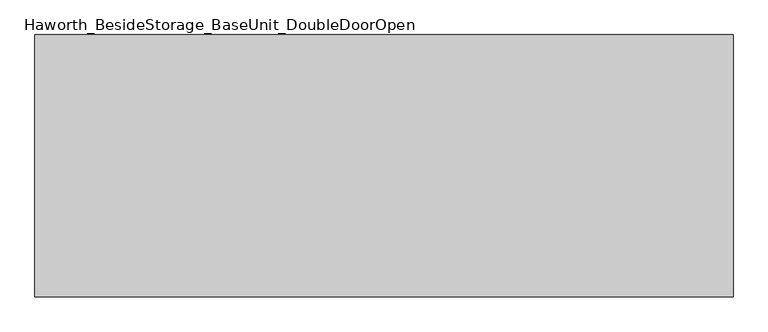
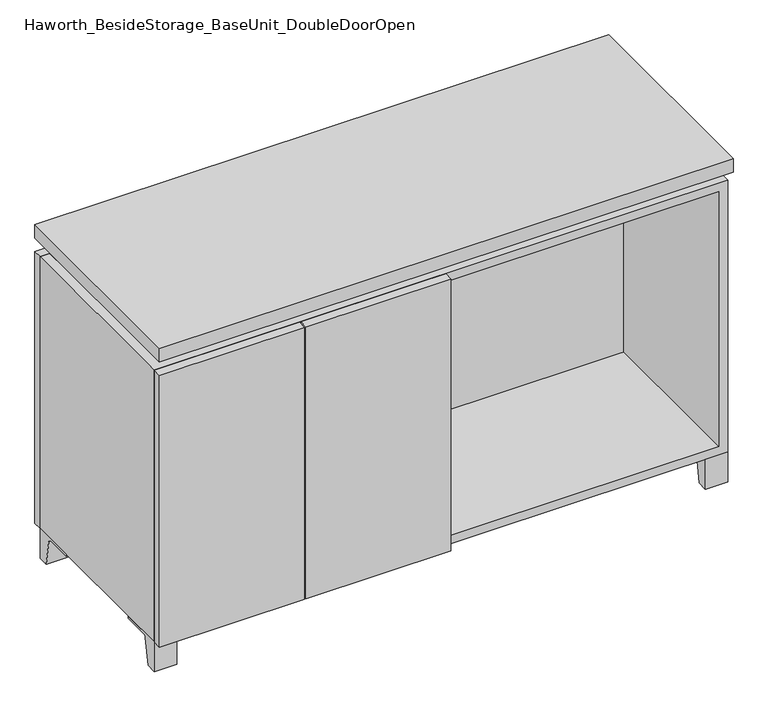
"""IFC4 building model written with IfcOpenShell, lengths in millimetres: furniture geometry, Haworth_BesideStorage_BaseUnit_DoubleDoorOpen."""

from ifc_helpers import new_model, si_unit, point, frame, frame_2d, origin, place, context, project, spatial, polyline, circle_curve, trimmed, segment, composite_curve, outline, extrude, faceted_brep, source, transform, mapped, element, save


def haworth_besidestorage_baseunit_doubledooropen_0f22d628(model_context):
    return source(origin(), model_context, "Body", "SolidModel", [
        extrude(outline(composite_curve([segment(polyline([(44.9791531, 0.0), (22.225, 0.0), (22.225, 66.675), (117.475, 66.675), (117.475, 61.8963321), (60.6744655, 61.8963321)]), True, "CONTINUOUS"), segment(trimmed(circle_curve(frame_2d((60.6744655, 55.5463321)), 6.35), [point((60.6744655, 61.8963321))], [point((54.4108641, 56.5902656))], True, "CARTESIAN"), True, "CONTINUOUS"), segment(polyline([(54.4108641, 56.5902656), (44.9791531, 0.0)]), True, "CONTINUOUS")], self_intersect=False)), frame((-23.7986094, 0.0, 0.0), z_axis=(1.0, 0.0, 0.0), x_axis=(0.0, 1.0, 0.0)), (0.0, 0.0, 1.0), 47.625),
        extrude(outline(composite_curve([segment(polyline([(-123.2958469, 0.0), (-146.05, 0.0), (-146.05, 66.675), (-50.8, 66.675), (-50.8, 61.8963321), (-107.6005345, 61.8963321)]), True, "CONTINUOUS"), segment(trimmed(circle_curve(frame_2d((-107.6005345, 55.5463321)), 6.35), [point((-107.6005345, 61.8963321))], [point((-113.8641359, 56.5902656))], True, "CARTESIAN"), True, "CONTINUOUS"), segment(polyline([(-113.8641359, 56.5902656), (-123.2958469, 0.0)]), True, "CONTINUOUS")], self_intersect=False)), frame((560.4013906, 0.0, 0.0), z_axis=(1.0, 0.0, 0.0), x_axis=(0.0, 1.0, 0.0)), (0.0, 0.0, 1.0), 47.625),
        extrude(outline(composite_curve([segment(polyline([(250.2958469, 0.0), (240.8641359, 56.5902656)]), True, "CONTINUOUS"), segment(trimmed(circle_curve(frame_2d((234.6005345, 55.5463321)), 6.35), [point((240.8641359, 56.5902656))], [point((234.6005345, 61.8963321))], True, "CARTESIAN"), True, "CONTINUOUS"), segment(polyline([(234.6005345, 61.8963321), (177.8, 61.8963321), (177.8, 66.675), (273.05, 66.675), (273.05, 0.0), (250.2958469, 0.0)]), True, "CONTINUOUS")], self_intersect=False)), frame((560.4013906, 0.0, 0.0), z_axis=(1.0, 0.0, 0.0), x_axis=(0.0, 1.0, 0.0)), (0.0, 0.0, 1.0), 47.625),
        extrude(outline(composite_curve([segment(polyline([(-123.2958469, 0.0), (-146.05, 0.0), (-146.05, 66.675), (-50.8, 66.675), (-50.8, 61.8963321), (-107.6005345, 61.8963321)]), True, "CONTINUOUS"), segment(trimmed(circle_curve(frame_2d((-107.6005345, 55.5463321)), 6.35), [point((-107.6005345, 61.8963321))], [point((-113.8641359, 56.5902656))], True, "CARTESIAN"), True, "CONTINUOUS"), segment(polyline([(-113.8641359, 56.5902656), (-123.2958469, 0.0)]), True, "CONTINUOUS")], self_intersect=False)), frame((-607.9986094, 0.0, 0.0), z_axis=(1.0, 0.0, 0.0), x_axis=(0.0, 1.0, 0.0)), (0.0, 0.0, 1.0), 47.625),
        extrude(outline(composite_curve([segment(polyline([(250.2958469, 0.0), (240.8641359, 56.5902656)]), True, "CONTINUOUS"), segment(trimmed(circle_curve(frame_2d((234.6005345, 55.5463321)), 6.35), [point((240.8641359, 56.5902656))], [point((234.6005345, 61.8963321))], True, "CARTESIAN"), True, "CONTINUOUS"), segment(polyline([(234.6005345, 61.8963321), (177.8, 61.8963321), (177.8, 66.675), (273.05, 66.675), (273.05, 0.0), (250.2958469, 0.0)]), True, "CONTINUOUS")], self_intersect=False)), frame((-607.9986094, 0.0, 0.0), z_axis=(1.0, 0.0, 0.0), x_axis=(0.0, 1.0, 0.0)), (0.0, 0.0, 1.0), 47.625),
        faceted_brep([(-607.9986094, -146.05, 66.675), (608.0125, -146.05, 66.675), (608.0125, -146.05, 676.275), (-607.9986094, -146.05, 676.275), (-588.9486094, -146.05, 85.725), (-588.9486094, -146.05, 657.225), (588.9694453, -146.05, 657.225), (588.9486094, -146.05, 85.725), (-607.9986094, 273.05, 66.675), (-607.9986094, 273.05, 676.275), (-588.9486094, 273.05, 676.275), (-588.9486094, 273.05, 85.725), (588.9486094, 273.05, 85.725), (588.9486094, 273.05, 676.275), (608.0125, 273.05, 676.275), (608.0125, 273.05, 66.675), (588.9486094, 247.65, 676.275), (-588.9416641, 247.65, 676.275), (-588.9486094, 247.65, 657.225), (588.9486094, 247.65, 657.225)], [[[0, 1, 2, 3], [4, 5, 6, 7]], [[8, 9, 10, 11, 12, 13, 14, 15]], [[1, 0, 8, 15]], [[2, 1, 15, 14]], [[3, 2, 14, 13, 16, 17, 10, 9]], [[0, 3, 9, 8]], [[11, 10, 17, 18, 5, 4]], [[13, 12, 7, 6, 19, 16]], [[4, 7, 12, 11]], [[6, 5, 18, 19]], [[17, 16, 19, 18]]]),
        extrude(outline(polyline([(608.0263906, -165.1), (-607.9986094, -165.1), (-607.9986094, 292.1), (608.0263906, 292.1), (608.0263906, -165.1)])), frame((0.0, 0.0, 706.4375), z_axis=(0.0, 0.0, 1.0), x_axis=(1.0, 0.0, 0.0)), (0.0, 0.0, 1.0), 30.1625),
        faceted_brep([(7.9513906, -69.85, 706.4375), (7.9513906, -69.85, 676.275), (7.9513906, 53.975, 676.275), (7.9513906, 53.975, 706.4375), (7.9513906, 196.85, 676.275), (7.9513906, 196.85, 706.4375), (7.9513906, 73.025, 706.4375), (7.9513906, 73.025, 676.275), (-7.9236094, 196.85, 706.4375), (-7.9236094, 196.85, 676.275), (-7.9236094, 73.025, 676.275), (-7.9236094, 73.025, 706.4375), (-7.9236094, -69.85, 676.275), (-7.9236094, -69.85, 706.4375), (-7.9236094, 53.975, 706.4375), (-7.9236094, 53.975, 676.275), (-566.6958281, 73.025, 706.4375), (-566.7166641, 247.65, 706.4375), (-582.5916641, 247.65, 706.4375), (-582.5916641, -120.65, 706.4375), (-566.7166641, -120.65, 706.4375), (-566.7166641, 53.975, 706.4375), (566.7236094, 53.975, 706.4375), (566.7236094, -120.65, 706.4375), (582.5986094, -120.65, 706.4375), (582.5986094, 247.65, 706.4375), (566.7236094, 247.65, 706.4375), (566.7236094, 73.025, 706.4375), (-566.6958281, 53.975, 676.275), (-566.7166641, -120.65, 676.275), (-582.5916641, -120.65, 676.275), (-582.5916641, 247.65, 676.275), (-566.7166641, 247.65, 676.275), (-566.7166641, 73.025, 676.275), (566.7236094, 73.025, 676.275), (566.7236094, 247.65, 676.275), (582.5986094, 247.65, 676.275), (582.5986094, -120.65, 676.275), (566.7236094, -120.65, 676.275), (566.7236094, 53.975, 676.275)], [[[0, 1, 2, 3]], [[4, 5, 6, 7]], [[8, 9, 10, 11]], [[12, 13, 14, 15]], [[5, 8, 11, 16, 17, 18, 19, 20, 21, 14, 13, 0, 3, 22, 23, 24, 25, 26, 27, 6]], [[1, 12, 15, 28, 29, 30, 31, 32, 33, 10, 9, 4, 7, 34, 35, 36, 37, 38, 39, 2]], [[5, 4, 9, 8]], [[1, 0, 13, 12]], [[6, 27, 34, 7]], [[22, 3, 2, 39]], [[20, 29, 28, 21]], [[32, 17, 16, 33]], [[18, 31, 30, 19]], [[29, 20, 19, 30]], [[17, 32, 31, 18]], [[26, 35, 34, 27]], [[38, 23, 22, 39]], [[25, 24, 37, 36]], [[23, 38, 37, 24]], [[35, 26, 25, 36]], [[16, 11, 10, 33]], [[14, 21, 28, 15]]]),
        extrude(outline(polyline([(9.5388906, 203.2), (9.5388906, -146.05), (-9.5111094, -146.05), (-9.5111094, 203.2), (9.5388906, 203.2)])), frame((0.0, 0.0, 85.725), z_axis=(0.0, 0.0, 1.0), x_axis=(1.0, 0.0, 0.0)), (0.0, 0.0, 1.0), 571.5),
        extrude(outline(polyline([(608.0263906, 273.05), (-607.9986094, 273.05), (-607.9986094, 292.1), (608.0263906, 292.1), (608.0263906, 273.05)])), frame((0.0, 0.0, 66.675), z_axis=(0.0, 0.0, 1.0), x_axis=(1.0, 0.0, 0.0)), (0.0, 0.0, 1.0), 609.6),
        extrude(outline(polyline([(-588.9416641, 203.2), (-588.9416641, 209.55), (588.9694453, 209.55), (588.9694453, 203.2), (-588.9416641, 203.2)])), frame((0.0, 0.0, 85.725), z_axis=(0.0, 0.0, 1.0), x_axis=(1.0, 0.0, 0.0)), (0.0, 0.0, 1.0), 571.5),
        extrude(outline(polyline([(9.5388906, -165.1), (-297.6423594, -165.1), (-297.6423594, -146.05), (9.5388906, -146.05), (9.5388906, -165.1)])), frame((0.0, 0.0, 66.675), z_axis=(0.0, 0.0, 1.0), x_axis=(1.0, 0.0, 0.0)), (0.0, 0.0, 1.0), 609.6),
        extrude(outline(polyline([(-300.8173594, -165.1), (-607.9986094, -165.1), (-607.9986094, -146.05), (-300.8173594, -146.05), (-300.8173594, -165.1)])), frame((0.0, 0.0, 66.675), z_axis=(0.0, 0.0, 1.0), x_axis=(1.0, 0.0, 0.0)), (0.0, 0.0, 1.0), 609.6),
    ])


if __name__ == "__main__":
    model = new_model("IFC4")
    model_context = context("Model", 3, world=origin())
    ifc_project = project(units=[si_unit("LENGTHUNIT", "METRE", prefix="MILLI")], contexts=[model_context])
    site = spatial("IfcSite", under=ifc_project)
    building = spatial("IfcBuilding", under=site)
    placement = place(None, origin())
    haworth_besidestorage_baseunit_doubledooropen_shape = haworth_besidestorage_baseunit_doubledooropen_0f22d628(model_context)
    element("IfcFurniture", 1, ObjectType="Haworth_BesideStorage_BaseUnit_DoubleDoorOpen", at=placement, inside=building, context=model_context, shape_type="MappedRepresentation", body=[
        mapped(haworth_besidestorage_baseunit_doubledooropen_shape, transform((0.0, 0.0, 0.0), x_axis=(1.0, 0.0, 0.0), y_axis=(0.0, 1.0, 0.0), z_axis=(0.0, 0.0, 1.0))),
    ])
    save(model, "model.ifc")
